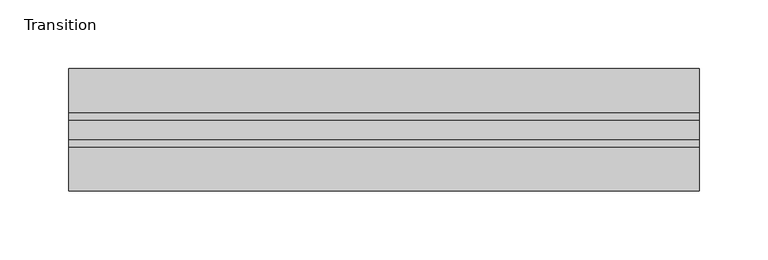
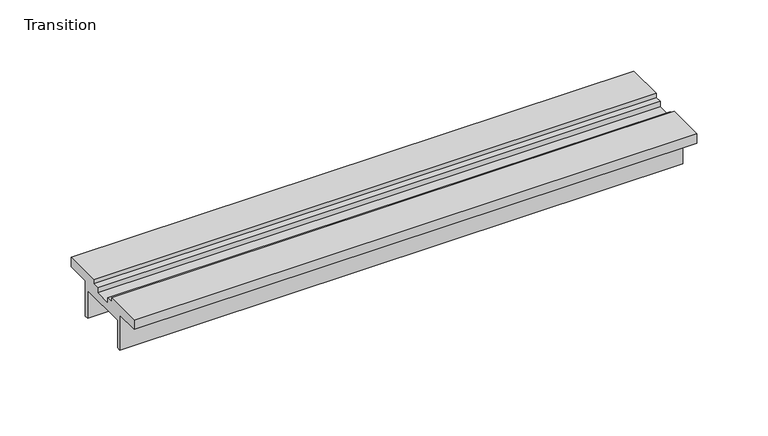
"""IFC4 building model written with IfcOpenShell, lengths in millimetres: furniture geometry, Transition."""

from ifc_helpers import new_model, si_unit, frame, origin, place, context, project, spatial, polyline, outline, extrude, source, transform, mapped, element, save


def transition_e6cc78fc(model_context):
    return source(origin(), model_context, "Body", "SweptSolid", [
        extrude(outline(polyline([(-8.7481957, -7.9375), (-28.948195, -7.9375), (-28.948195, 0.0), (2.8018046, 0.0), (2.8018046, -3.5000001), (8.3018048, -3.5000001), (8.3018048, -7.9375), (22.7018053, -7.9375), (22.7018053, -3.5000001), (28.2018055, -3.5000001), (28.2018055, 0.0), (59.951805, 0.0), (59.951805, -7.9375), (39.7518058, -7.9375), (39.7518058, -38.1), (36.4518057, -38.1), (36.4518057, -14.2875), (-5.4481956, -14.2875), (-5.4481956, -38.1), (-8.7481957, -38.1), (-8.7481957, -7.9375)])), frame((-198.6228469, 0.0, 0.0), z_axis=(1.0, 0.0, 0.0), x_axis=(0.0, 1.0, 0.0)), (0.0, 0.0, 1.0), 457.2),
    ])


if __name__ == "__main__":
    model = new_model("IFC4")
    model_context = context("Model", 3, world=origin())
    ifc_project = project(units=[si_unit("LENGTHUNIT", "METRE", prefix="MILLI")], contexts=[model_context])
    site = spatial("IfcSite", under=ifc_project)
    building = spatial("IfcBuilding", under=site)
    placement = place(None, origin())
    transition_shape = transition_e6cc78fc(model_context)
    element("IfcFurniture", 1, ObjectType="Transition", at=placement, inside=building, context=model_context, shape_type="MappedRepresentation", body=[
        mapped(transition_shape, transform((0.0, 0.0, 0.0), x_axis=(1.0, 0.0, 0.0), y_axis=(0.0, 1.0, 0.0), z_axis=(0.0, 0.0, 1.0))),
    ])
    save(model, "model.ifc")
